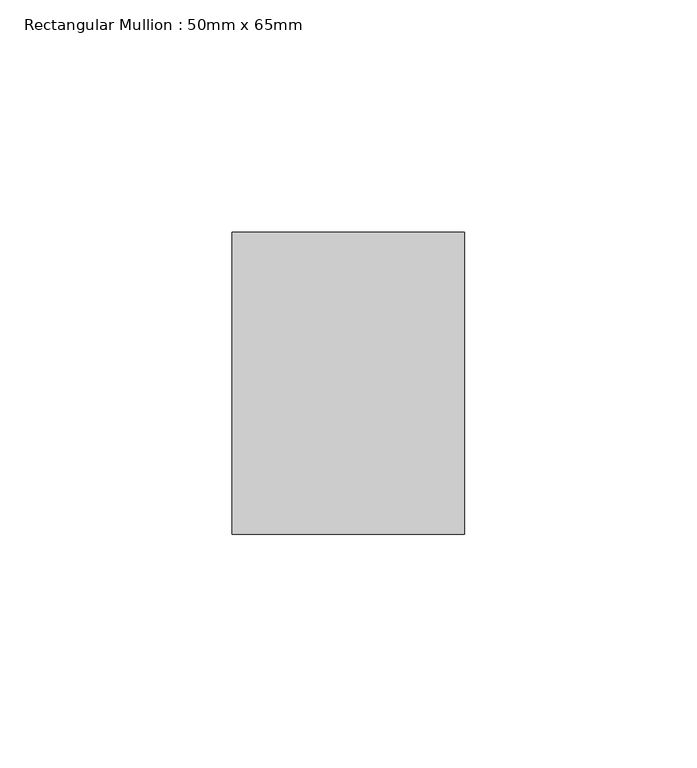
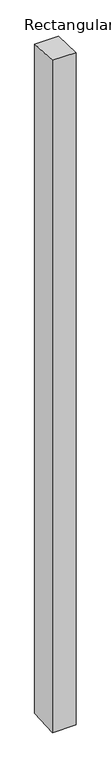
"""IFC4 building model written with IfcOpenShell, lengths in millimetres: member geometry, Rectangular Mullion : 50mm x 65mm."""

from ifc_helpers import new_model, si_unit, origin, place, context, project, spatial, faceted_brep, source, transform, mapped, element, save


def rectangular_mullion_50mm_x_65mm_448a6434(model_context):
    return source(origin(), model_context, "Body", "Brep", [
        faceted_brep([(-25.0, 32.5, -1.4676742), (25.0, 32.5, -1.4676774), (25.0, 32.5, -1498.1017383), (-25.0, 32.5, -1498.1017423), (-25.0, -32.5, 1.4676774), (-25.0, -32.5, -1501.8974865), (25.0, -32.5, 1.4676742), (25.0, -32.5, -1501.8974824)], [[[0, 1, 2, 3]], [[4, 0, 3, 5]], [[6, 4, 5, 7]], [[1, 6, 7, 2]], [[1, 0, 4, 6]], [[2, 7, 5, 3]]]),
    ])


if __name__ == "__main__":
    model = new_model("IFC4")
    model_context = context("Model", 3, world=origin())
    ifc_project = project(units=[si_unit("LENGTHUNIT", "METRE", prefix="MILLI")], contexts=[model_context])
    site = spatial("IfcSite", under=ifc_project)
    building = spatial("IfcBuilding", under=site)
    placement = place(None, origin())
    rectangular_mullion_50mm_x_65mm_shape = rectangular_mullion_50mm_x_65mm_448a6434(model_context)
    element("IfcMember", 1, ObjectType="Rectangular Mullion : 50mm x 65mm", at=placement, inside=building, context=model_context, shape_type="MappedRepresentation", body=[
        mapped(rectangular_mullion_50mm_x_65mm_shape, transform((0.0, 0.0, 0.0), x_axis=(1.0, 0.0, 0.0), y_axis=(0.0, 1.0, 0.0), z_axis=(0.0, 0.0, 1.0))),
    ])
    save(model, "model.ifc")
